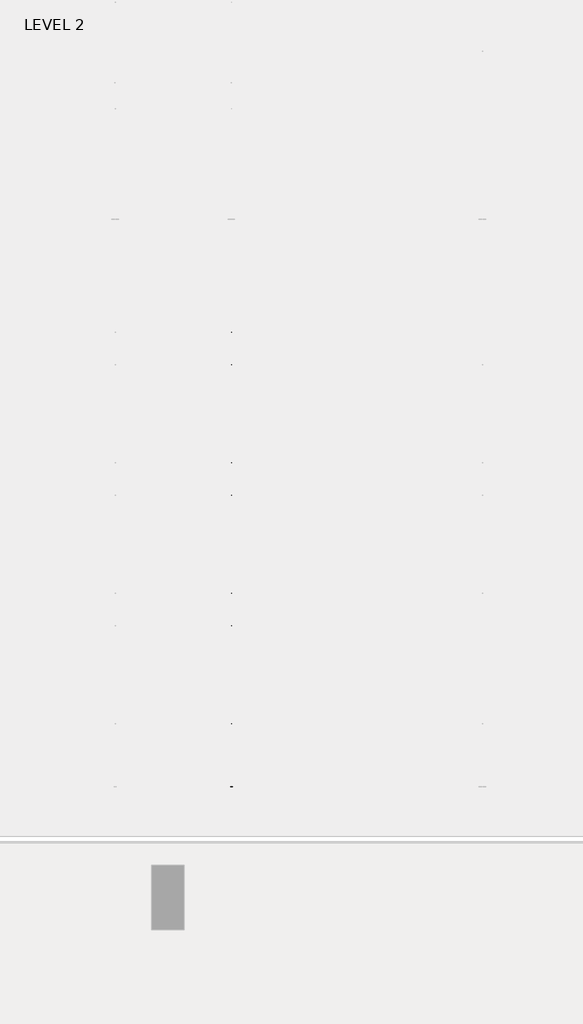
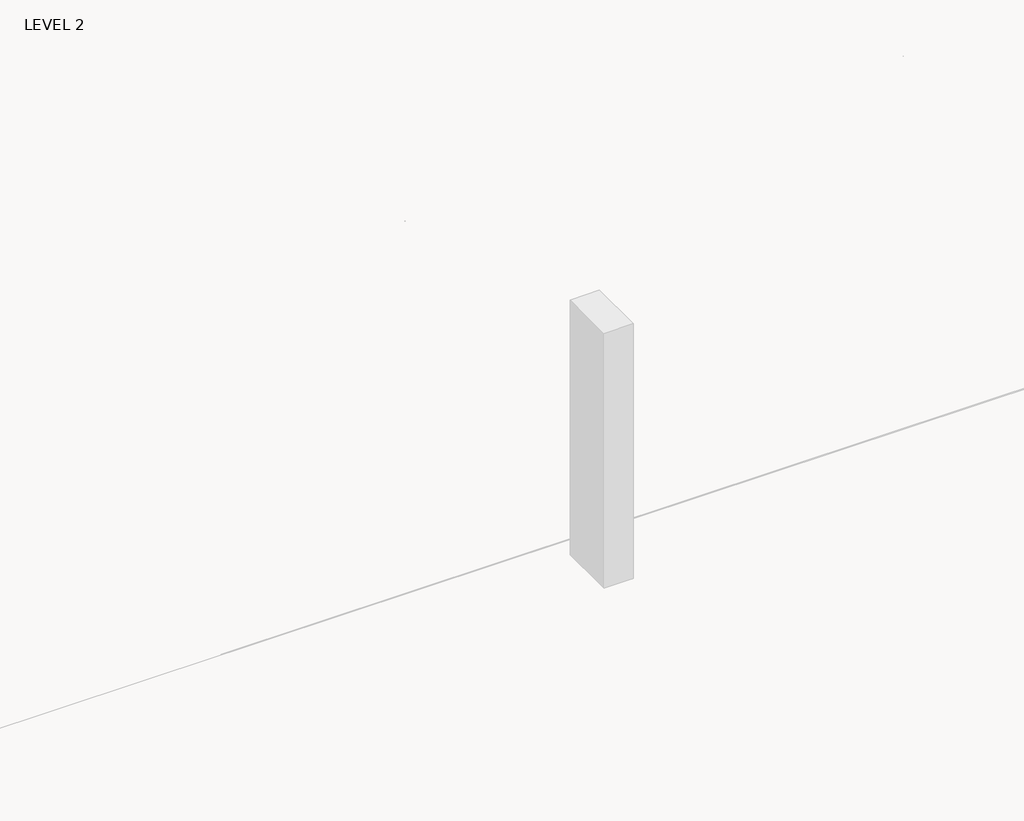
# One storey, part 19 of 67: 2 beams.
"""IFC4 building model written with IfcOpenShell, lengths in millimetres."""

import ifcopenshell
import ifcopenshell.guid

model = None  # the IFC model being written
_history = None  # IfcOwnerHistory: only IFC2X3 demands one
_inside = {}  # id of a spatial element -> (the spatial element, [elements in it])
_under = {}  # id of a project, library or spatial element -> (it, [spatial elements below it])
_declared = {}  # id of a project -> (the project, [libraries it declares])
_typed = {}  # id of a type object -> (the type object, [elements of that type])
_made_of = {}  # id of a material, layer set ... -> (it, [elements and type objects made of it])


def new_model(schema):
    """Start an empty IFC model of exactly this schema.

    Asked for "IFC4X3", IfcOpenShell would pick the latest addendum, in which some entities
    have other attributes; the version numbers below select the first issue.
    IFC2X3 requires an IfcOwnerHistory on every rooted entity: one is made here for all.
    """
    global model, _history
    if schema == "IFC4X3":
        model = ifcopenshell.file(schema_version=(4, 3, 0, 0))
    else:
        model = ifcopenshell.file(schema=schema)
    _inside.clear()
    _under.clear()
    _declared.clear()
    _typed.clear()
    _made_of.clear()
    _history = None
    if model.schema == "IFC2X3":
        org = make("IfcOrganization", Name="unknown")
        user = make(
            "IfcPersonAndOrganization",
            ThePerson=make("IfcPerson", FamilyName="unknown"),
            TheOrganization=org,
        )
        app = make(
            "IfcApplication",
            ApplicationDeveloper=org,
            Version="unknown",
            ApplicationFullName="unknown",
            ApplicationIdentifier="unknown",
        )
        _history = make(
            "IfcOwnerHistory",
            OwningUser=user,
            OwningApplication=app,
            ChangeAction="ADDED",
            CreationDate=0,
        )
    return model


def make(cls, **values):
    """One entity of the class cls with the attributes given. An attribute that is None is left unset."""
    return model.create_entity(
        cls, **{name: value for name, value in values.items() if value is not None}
    )


def rooted(cls, **values):
    """An entity with a GlobalId (a new one), such as an element, a storey or a relation."""
    return make(cls, GlobalId=ifcopenshell.guid.new(), OwnerHistory=_history, **values)


def si_unit(unit_type, name, prefix=None):
    """IfcSIUnit, for example si_unit("LENGTHUNIT", "METRE", prefix="MILLI")."""
    return make("IfcSIUnit", UnitType=unit_type, Prefix=prefix, Name=name)


def assignment(units):
    """IfcUnitAssignment: the units of a project."""
    return None if units is None else make("IfcUnitAssignment", Units=units)


def point(xyz):
    """IfcCartesianPoint."""
    return None if xyz is None else make("IfcCartesianPoint", Coordinates=xyz)


def direction(xyz):
    """IfcDirection."""
    return None if xyz is None else make("IfcDirection", DirectionRatios=xyz)


def frame(location, z_axis=None, x_axis=None):
    """IfcAxis2Placement3D, a coordinate frame: its origin and axes. An axis left out is left unset."""
    return make(
        "IfcAxis2Placement3D",
        Location=point(location),
        Axis=direction(z_axis),
        RefDirection=direction(x_axis),
    )


def frame_2d(location, x_axis=None):
    """IfcAxis2Placement2D, a coordinate frame in the plane: its origin and x axis."""
    return make(
        "IfcAxis2Placement2D", Location=point(location), RefDirection=direction(x_axis)
    )


def origin():
    """The frame at (0, 0, 0) with its axes left unset."""
    return frame((0.0, 0.0, 0.0))


def place(relative_to, where):
    """IfcLocalPlacement: puts the frame where relative to a parent placement (None: the world)."""
    return make(
        "IfcLocalPlacement", PlacementRelTo=relative_to, RelativePlacement=where
    )


def context(
    kind, dimensions, precision=None, world=None, true_north=None, identifier=None
):
    """IfcGeometricRepresentationContext, for example the 3D "Model" context."""
    return make(
        "IfcGeometricRepresentationContext",
        ContextIdentifier=identifier,
        ContextType=kind,
        CoordinateSpaceDimension=dimensions,
        Precision=precision,
        WorldCoordinateSystem=world,
        TrueNorth=true_north,
    )


def project(units=None, contexts=None):
    """IfcProject with its units and contexts."""
    return rooted(
        "IfcProject",
        Name="project",
        RepresentationContexts=contexts,
        UnitsInContext=assignment(units),
    )


def spatial(cls, under=None, at=None, **own):
    """A site, building, storey or space (cls), placed at a placement, below another one or the project."""
    s = rooted(cls, ObjectPlacement=at, **own)
    if under is not None:
        _under.setdefault(under.id(), (under, []))[1].append(s)
    return s


def polyline(points):
    """IfcPolyline through the points."""
    return make("IfcPolyline", Points=[point(p) for p in points])


def circle_curve(where, radius):
    """IfcCircle in the frame where."""
    return make("IfcCircle", Position=where, Radius=radius)


def trimmed(basis, trim1, trim2, sense, master):
    """IfcTrimmedCurve: the piece of a basis curve between two trims."""
    return make(
        "IfcTrimmedCurve",
        BasisCurve=basis,
        Trim1=trim1,
        Trim2=trim2,
        SenseAgreement=sense,
        MasterRepresentation=master,
    )


def segment(curve, same_sense, transition):
    """IfcCompositeCurveSegment."""
    return make(
        "IfcCompositeCurveSegment",
        Transition=transition,
        SameSense=same_sense,
        ParentCurve=curve,
    )


def composite_curve(segments, self_intersect=None):
    """IfcCompositeCurve: segments joined end to end."""
    return make("IfcCompositeCurve", Segments=segments, SelfIntersect=self_intersect)


def outline(outer, holes=None, kind="AREA"):
    """IfcArbitraryClosedProfileDef: a profile drawn as a closed curve; with holes, ...WithVoids."""
    if holes is None:
        return make("IfcArbitraryClosedProfileDef", ProfileType=kind, OuterCurve=outer)
    return make(
        "IfcArbitraryProfileDefWithVoids",
        ProfileType=kind,
        OuterCurve=outer,
        InnerCurves=holes,
    )


def extrude(swept, where, along, depth):
    """IfcExtrudedAreaSolid: the profile swept, set in the frame where, extruded along a direction by depth."""
    return make(
        "IfcExtrudedAreaSolid",
        SweptArea=swept,
        Position=where,
        ExtrudedDirection=direction(along),
        Depth=depth,
    )


def faces_of(points, faces, orient=None, outer=None):
    """IfcFace entities. A face is a list of loops; a loop is a list of indices into points, from 0.

    orient and outer hold one flag for each loop. By default every Orientation is true, the
    first loop of a face is its IfcFaceOuterBound and the others are IfcFaceBound.
    """
    made = []
    for i, loops in enumerate(faces):
        bounds = []
        for j, loop in enumerate(loops):
            is_outer = j == 0 if outer is None else outer[i][j]
            bounds.append(
                make(
                    "IfcFaceOuterBound" if is_outer else "IfcFaceBound",
                    Bound=make("IfcPolyLoop", Polygon=[points[k] for k in loop]),
                    Orientation=True if orient is None else orient[i][j],
                )
            )
        made.append(make("IfcFace", Bounds=bounds))
    return made


def faceted_brep(points, faces, orient=None, outer=None, voids=None):
    """IfcFacetedBrep: a solid bounded by flat faces; with voids (closed shells), ...WithVoids."""
    shared = [point(p) for p in points]
    hull = make("IfcClosedShell", CfsFaces=faces_of(shared, faces, orient, outer))
    if voids is None:
        return make("IfcFacetedBrep", Outer=hull)
    return make(
        "IfcFacetedBrepWithVoids",
        Outer=hull,
        Voids=[
            make(cls, CfsFaces=faces_of(shared, fs, o, b)) for cls, fs, o, b in voids
        ],
    )


def shape(context_of_items, identifier, shape_type, items):
    """IfcShapeRepresentation: the items that make up one representation, for example the "Body"."""
    return make(
        "IfcShapeRepresentation",
        ContextOfItems=context_of_items,
        RepresentationIdentifier=identifier,
        RepresentationType=shape_type,
        Items=items,
    )


def source(mapping_origin, context_of_items, identifier, shape_type, items):
    """IfcRepresentationMap: a shape defined once, which mapped items show again and again."""
    return make(
        "IfcRepresentationMap",
        MappingOrigin=mapping_origin,
        MappedRepresentation=shape(context_of_items, identifier, shape_type, items),
    )


def transform(
    local_origin,
    x_axis=None,
    y_axis=None,
    z_axis=None,
    scale=None,
    scale2=None,
    scale3=None,
    uniform=True,
):
    """IfcCartesianTransformationOperator3D, or its non-uniform kind. x_axis, y_axis, z_axis: its Axis1, 2, 3."""
    if uniform:
        return make(
            "IfcCartesianTransformationOperator3D",
            Axis1=direction(x_axis),
            Axis2=direction(y_axis),
            LocalOrigin=point(local_origin),
            Scale=scale,
            Axis3=direction(z_axis),
        )
    return make(
        "IfcCartesianTransformationOperator3DnonUniform",
        Axis1=direction(x_axis),
        Axis2=direction(y_axis),
        LocalOrigin=point(local_origin),
        Scale=scale,
        Axis3=direction(z_axis),
        Scale2=scale2,
        Scale3=scale3,
    )


def mapped(mapping_source, mapping_target):
    """IfcMappedItem: shows the shape of a source again, moved by a transform."""
    return make(
        "IfcMappedItem", MappingSource=mapping_source, MappingTarget=mapping_target
    )


def made_of(thing, what):
    """Note that an element or type object is made of a material, layer set ...; save() writes the relation."""
    if what is not None:
        _made_of.setdefault(what.id(), (what, []))[1].append(thing)
    return thing


def element(
    cls,
    number,
    at=None,
    inside=None,
    cuts=None,
    type_object=None,
    material=None,
    context=None,
    identifier="Body",
    shape_type=None,
    held_by="IfcProductDefinitionShape",
    body=None,
    shapes=None,
    **own,
):
    """One element of the class cls, such as IfcWall. Its Tag is "e" and its number.

    at: its placement. inside: the storey or other place that contains it. cuts: it is an
    opening in that element (IfcRelVoidsElement). A single representation is given by context,
    identifier, shape_type and body (its items); several are given by shapes. held_by: the class
    of the entity that holds the representations. save() writes the other relations.
    """
    e = rooted(cls, Tag="e%d" % number, ObjectPlacement=at, **own)
    if body is not None:
        shapes = [shape(context, identifier, shape_type, body)]
    if shapes is not None:
        e.Representation = make(held_by, Representations=shapes)
    if inside is not None:
        _inside.setdefault(inside.id(), (inside, []))[1].append(e)
    if cuts is not None:
        rooted(
            "IfcRelVoidsElement", RelatingBuildingElement=cuts, RelatedOpeningElement=e
        )
    if type_object is not None:
        _typed.setdefault(type_object.id(), (type_object, []))[1].append(e)
    return made_of(e, material)


def aggregate(whole, parts):
    """IfcRelAggregates: a whole, such as a stair, and the parts it consists of."""
    return rooted("IfcRelAggregates", RelatingObject=whole, RelatedObjects=parts)


def save(model, path):
    """Write the relations noted so far, then the file.

    IfcRelAggregates (storeys below a building ...), IfcRelContainedInSpatialStructure (elements
    in a storey), IfcRelDefinesByType, IfcRelAssociatesMaterial and IfcRelDeclares: one each for
    every whole, place, type object, material and project.
    """
    for whole, parts in _under.values():
        aggregate(whole, parts)
    for where, things in _inside.values():
        rooted(
            "IfcRelContainedInSpatialStructure",
            RelatedElements=things,
            RelatingStructure=where,
        )
    for kind, things in _typed.values():
        rooted("IfcRelDefinesByType", RelatedObjects=things, RelatingType=kind)
    for what, things in _made_of.values():
        rooted("IfcRelAssociatesMaterial", RelatedObjects=things, RelatingMaterial=what)
    for by, libraries in _declared.values():
        rooted("IfcRelDeclares", RelatingContext=by, RelatedDefinitions=libraries)
    model.write(path)


def w18x46_b0a6ef61(model_context):
    return source(origin(), model_context, "Body", "SweptSolid", [
        extrude(outline(composite_curve([segment(polyline([(76.962, -214.503), (76.962, -229.87), (-76.962, -229.87), (-76.962, -214.503), (-20.955, -214.503)]), True, "CONTINUOUS"), segment(trimmed(circle_curve(frame_2d((-20.955, -198.12)), 16.383), [point((-20.955, -214.503))], [point((-4.572, -198.12))], True, "CARTESIAN"), True, "CONTINUOUS"), segment(polyline([(-4.572, -198.12), (-4.572, 198.12)]), True, "CONTINUOUS"), segment(trimmed(circle_curve(frame_2d((-20.955, 198.12)), 16.383), [point((-4.572, 198.12))], [point((-20.955, 214.503))], True, "CARTESIAN"), True, "CONTINUOUS"), segment(polyline([(-20.955, 214.503), (-76.962, 214.503), (-76.962, 229.87), (76.962, 229.87), (76.962, 214.503), (20.955, 214.503)]), True, "CONTINUOUS"), segment(trimmed(circle_curve(frame_2d((20.955, 198.12)), 16.383), [point((20.955, 214.503))], [point((4.572, 198.12))], True, "CARTESIAN"), True, "CONTINUOUS"), segment(polyline([(4.572, 198.12), (4.572, -198.12)]), True, "CONTINUOUS"), segment(trimmed(circle_curve(frame_2d((20.955, -198.12)), 16.383), [point((4.572, -198.12))], [point((20.955, -214.503))], True, "CARTESIAN"), True, "CONTINUOUS"), segment(polyline([(20.955, -214.503), (76.962, -214.503)]), True, "CONTINUOUS")], self_intersect=False)), frame((-2970.1785913, 0.0, 0.0), z_axis=(1.0, 0.0, 0.0), x_axis=(0.0, 1.0, 0.0)), (0.0, 0.0, 1.0), 5913.9929508),
    ])


model = new_model("IFC4")

# Units and contexts
model_context = context("Model", 3, world=origin())
ifc_project = project(units=[si_unit("LENGTHUNIT", "METRE", prefix="MILLI")], contexts=[model_context])

# Site, building, storey
site = spatial("IfcSite", under=ifc_project)
building = spatial("IfcBuilding", under=site)
storey = spatial("IfcBuildingStorey", under=building, Name="LEVEL 2", Elevation=6908.8)

# Beams
placement = place(None, origin())
element("IfcBeam", 1, ObjectType="K-Series Bar Joist-Angle Web : 12K3", at=placement, inside=storey, context=model_context, shape_type="SolidModel", body=[
    extrude(outline(polyline([(0.0, -9.525), (0.0, 0.0), (573.7533355, 0.0), (573.7533355, -9.525), (0.0, -9.525)])), frame((17505.2414942, -8384.9703623, 6274.5702814), z_axis=(0.0, -0.47954343730979243, 0.8775181432501035), x_axis=(0.0, -0.8775181432501035, -0.47954343730979243)), (0.0, 0.0, 1.0), 9.525),
    extrude(outline(polyline([(0.0, -9.525), (0.0, 0.0), (573.7533355, 0.0), (573.7533355, -9.525), (0.0, -9.525)])), frame((17495.7164942, -14433.7556121, 6173.6227252), z_axis=(0.0, 0.44999492249664974, 0.893031113526978), x_axis=(0.0, 0.893031113526978, -0.44999492249664974)), (0.0, 0.0, 1.0), 9.525),
    extrude(outline(polyline([(4.7625, 4.7625001), (4.7625, -4.7625), (-4.7625, -4.7625), (-4.7625, 4.7625001), (4.7625, 4.7625001)])), frame((17500.4789942, -8890.7331495, 6003.6098148), z_axis=(0.0, 0.5446821447758766, 0.838642570564094), x_axis=(-1.0, 0.0, 0.0)), (0.0, 0.0, 1.0), 321.5434366),
    extrude(outline(polyline([(4.7625, 4.7625), (4.7625, -4.7625), (-4.7625, -4.7625), (-4.7625, 4.7625), (4.7625, 4.7625)])), frame((17500.4789942, -13919.2329312, 5919.6896981), z_axis=(0.0, -0.5723630656913158, 0.820000317702645), x_axis=(-1.0, 0.0, 0.0)), (0.0, 0.0, 1.0), 321.5434366),
    extrude(outline(polyline([(0.0, 0.0), (31.75, 0.0), (31.75, -6.35), (6.35, -6.35), (6.35, -31.7500001), (0.0, -31.7500001), (0.0, 0.0)])), frame((17505.2414942, -14020.7128256, 5911.6452263), z_axis=(0.0, 0.9998607694356157, 0.01668657375312592), x_axis=(1.0, 0.0, 0.0)), (0.0, 0.0, 1.0), 5232.4),
    extrude(outline(polyline([(-9.525, 0.0), (-9.525, -31.7500001), (-15.875, -31.7500001), (-15.875, -6.35), (-41.275, -6.35), (-41.275, 0.0), (-9.525, 0.0)])), frame((17505.2414942, -14020.7128256, 5911.6452263), z_axis=(0.0, 0.9998607694356157, 0.01668657375312592), x_axis=(1.0, 0.0, 0.0)), (0.0, 0.0, 1.0), 5232.4),
    extrude(outline(polyline([(-31.75, 0.0), (0.0, 0.0), (0.0, -6.35), (-25.4, -6.35), (-25.4, -31.7500001), (-31.75, -31.7500001), (-31.75, 0.0)])), frame((17536.9914942, -14532.6685667, 6144.4348505), z_axis=(0.0, 0.9998607694356157, 0.01668657375312592), x_axis=(1.0, 0.0, 0.0)), (0.0, 0.0, 1.0), 101.6),
    extrude(outline(polyline([(-41.275, 0.0), (-41.275, -31.7500001), (-47.625, -31.7500001), (-47.625, -6.35), (-73.025, -6.35), (-73.025, 0.0), (-41.275, 0.0)])), frame((17536.9914942, -14532.6685667, 6144.4348505), z_axis=(0.0, 0.9998607694356157, 0.01668657375312592), x_axis=(1.0, 0.0, 0.0)), (0.0, 0.0, 1.0), 101.6),
    extrude(outline(polyline([(0.0, 0.0), (31.75, 0.0), (31.75, -6.35), (6.35, -6.35), (6.35, -31.75), (0.0, -31.75), (0.0, 0.0)])), frame((17495.7164942, -8386.7243892, 6247.0038821), z_axis=(0.0, 0.9998607694356157, 0.01668657375312592), x_axis=(0.0, -0.01668657375312592, 0.9998607694356157)), (0.0, 0.0, 1.0), 101.6),
    extrude(outline(polyline([(0.0, 41.275), (6.35, 41.275), (6.35, 15.875), (31.75, 15.875), (31.75, 9.525), (0.0, 9.525), (0.0, 41.275)])), frame((17495.7164942, -8386.7243892, 6247.0038821), z_axis=(0.0, 0.9998607694356157, 0.01668657375312592), x_axis=(0.0, -0.01668657375312592, 0.9998607694356157)), (0.0, 0.0, 1.0), 101.6),
    extrude(outline(polyline([(0.0, 0.0), (31.75, 0.0), (31.75, -6.35), (6.35, -6.35), (6.35, -31.75), (0.0, -31.75), (0.0, 0.0)])), frame((17505.2414942, -14533.7281642, 6207.9260094), z_axis=(0.0, 0.9998607694356157, 0.01668657375312592), x_axis=(0.0, 0.01668657375312592, -0.9998607694356157)), (0.0, 0.0, 1.0), 6248.4),
    extrude(outline(polyline([(0.0, 9.525), (0.0, 41.275), (6.35, 41.275), (6.35, 15.875), (31.75, 15.875), (31.75, 9.525), (0.0, 9.525)])), frame((17505.2414942, -14533.7281642, 6207.9260094), z_axis=(0.0, 0.9998607694356157, 0.01668657375312592), x_axis=(0.0, 0.01668657375312592, -0.9998607694356157)), (0.0, 0.0, 1.0), 6248.4),
    faceted_brep([(17500.4789942, -8890.9980489, 6019.4826046), (17500.4789942, -8890.6801697, 6000.4352569), (17495.7164942, -8890.6801697, 6000.4352569), (17495.7164942, -8890.9980489, 6019.4826046), (17500.4789942, -8891.9429222, 6019.4668357), (17500.4789942, -9063.496197, 6296.0427071), (17500.4789942, -9081.5986714, 6295.7405968), (17500.4789942, -9081.2807922, 6276.6932491), (17500.4789942, -9073.986803, 6276.8149778), (17500.4789942, -8902.4335282, 6000.2391063), (17495.7164942, -8902.4335282, 6000.2391063), (17495.7164942, -8923.8776875, 6034.8110902), (17495.7164942, -8919.8305256, 6037.3214462), (17495.7164942, -9060.192296, 6263.6107955), (17495.7164942, -9064.2394579, 6261.1004396), (17495.7164942, -9073.986803, 6276.8149778), (17495.7164942, -9081.2807922, 6276.6932491), (17495.7164942, -9081.5986714, 6295.7405968), (17495.7164942, -9063.496197, 6296.0427071), (17495.7164942, -8891.9429222, 6019.4668357), (17483.0164942, -9064.2394579, 6261.1004396), (17483.0164942, -8923.8776875, 6034.8110902), (17483.0164942, -8919.8305256, 6037.3214462), (17483.0164942, -9060.192296, 6263.6107955)], [[[0, 1, 2, 3]], [[1, 0, 4, 5, 6, 7, 8, 9]], [[2, 1, 9, 10]], [[3, 2, 10, 11, 12, 13, 14, 15, 16, 17, 18, 19]], [[0, 3, 19, 4]], [[9, 8, 15, 14, 20, 21, 11, 10]], [[5, 4, 19, 18]], [[7, 6, 17, 16]], [[8, 7, 16, 15]], [[6, 5, 18, 17]], [[21, 22, 12, 11]], [[20, 14, 13, 23]], [[22, 21, 20, 23]], [[12, 22, 23, 13]]]),
    extrude(outline(polyline([(-9249.8587255, 5994.4409629), (-9250.1766047, 6013.4883105), (-9249.2317315, 6013.5040794), (-9087.002914, 6295.6504059), (-9068.9004396, 6295.9525163), (-9068.5825604, 6276.9051686), (-9075.8765496, 6276.78344), (-9238.105367, 5994.6371134), (-9249.8587255, 5994.4409629)])), frame((17500.4789942, 0.0, 0.0), z_axis=(1.0, 0.0, 0.0), x_axis=(0.0, 1.0, 0.0)), (0.0, 0.0, 1.0), 4.7625),
    extrude(outline(polyline([(-4.7625, 4.7625001), (-4.7625, 0.0), (-17.4625, 0.0), (-17.4625, 4.7625001), (-4.7625, 4.7625001)])), frame((17500.4789942, -9217.8267648, 6029.9054043), z_axis=(0.0, 0.4984588389961533, 0.8669133669673152), x_axis=(-1.0, 0.0, 0.0)), (0.0, 0.0, 1.0), 266.2861172),
    faceted_brep([(17500.4789942, -13560.3192747, 5941.5567819), (17500.4789942, -13560.0013955, 5922.5094342), (17495.7164942, -13560.0013955, 5922.5094342), (17495.7164942, -13560.3192747, 5941.5567819), (17500.4789942, -13561.264148, 5941.541013), (17500.4789942, -13732.8174229, 6218.1168844), (17500.4789942, -13750.9198972, 6217.8147741), (17500.4789942, -13750.602018, 6198.7674264), (17500.4789942, -13743.3080288, 6198.8891551), (17500.4789942, -13571.754754, 5922.3132836), (17495.7164942, -13571.754754, 5922.3132836), (17495.7164942, -13593.1989133, 5956.8852676), (17495.7164942, -13589.1517514, 5959.3956235), (17495.7164942, -13729.5135218, 6185.6849729), (17495.7164942, -13733.5606837, 6183.1746169), (17495.7164942, -13743.3080288, 6198.8891551), (17495.7164942, -13750.602018, 6198.7674264), (17495.7164942, -13750.9198972, 6217.8147741), (17495.7164942, -13732.8174229, 6218.1168844), (17495.7164942, -13561.264148, 5941.541013), (17483.0164942, -13733.5606837, 6183.1746169), (17483.0164942, -13593.1989133, 5956.8852676), (17483.0164942, -13589.1517514, 5959.3956235), (17483.0164942, -13729.5135218, 6185.6849729)], [[[0, 1, 2, 3]], [[1, 0, 4, 5, 6, 7, 8, 9]], [[2, 1, 9, 10]], [[3, 2, 10, 11, 12, 13, 14, 15, 16, 17, 18, 19]], [[0, 3, 19, 4]], [[9, 8, 15, 14, 20, 21, 11, 10]], [[5, 4, 19, 18]], [[7, 6, 17, 16]], [[8, 7, 16, 15]], [[6, 5, 18, 17]], [[21, 22, 12, 11]], [[20, 14, 13, 23]], [[22, 21, 20, 23]], [[12, 22, 23, 13]]]),
    extrude(outline(polyline([(-13919.1799513, 5916.5151402), (-13919.4978306, 5935.5624878), (-13918.5529573, 5935.5782567), (-13756.3241398, 6217.7245833), (-13738.2216655, 6218.0266936), (-13737.9037862, 6198.9793459), (-13745.1977754, 6198.8576173), (-13907.4265928, 5916.7112908), (-13919.1799513, 5916.5151402)])), frame((17500.4789942, 0.0, 0.0), z_axis=(1.0, 0.0, 0.0), x_axis=(0.0, 1.0, 0.0)), (0.0, 0.0, 1.0), 4.7625),
    extrude(outline(polyline([(-4.7625, 4.7625), (-4.7625, 0.0), (-17.4625, 0.0), (-17.4625, 4.7625), (-4.7625, 4.7625)])), frame((17500.4789942, -13887.1479907, 5951.9795816), z_axis=(0.0, 0.4984588389961533, 0.8669133669673152), x_axis=(-1.0, 0.0, 0.0)), (0.0, 0.0, 1.0), 266.2861172),
    faceted_brep([(17500.4789942, -9250.1766047, 6013.4883105), (17500.4789942, -9249.8587255, 5994.4409629), (17495.7164942, -9249.8587255, 5994.4409629), (17495.7164942, -9250.1766047, 6013.4883105), (17500.4789942, -9251.121478, 6013.4725416), (17500.4789942, -9422.6747529, 6290.0484131), (17500.4789942, -9440.7772272, 6289.7463027), (17500.4789942, -9440.459348, 6270.6989551), (17500.4789942, -9433.1653588, 6270.8206837), (17500.4789942, -9261.612084, 5994.2448123), (17495.7164942, -9261.612084, 5994.2448123), (17495.7164942, -9283.0562434, 6028.8167962), (17495.7164942, -9279.0090815, 6031.3271521), (17495.7164942, -9419.3708518, 6257.6165015), (17495.7164942, -9423.4180137, 6255.1061455), (17495.7164942, -9433.1653588, 6270.8206837), (17495.7164942, -9440.459348, 6270.6989551), (17495.7164942, -9440.7772272, 6289.7463027), (17495.7164942, -9422.6747529, 6290.0484131), (17495.7164942, -9251.121478, 6013.4725416), (17483.0164942, -9423.4180137, 6255.1061455), (17483.0164942, -9283.0562434, 6028.8167962), (17483.0164942, -9279.0090815, 6031.3271521), (17483.0164942, -9419.3708518, 6257.6165015)], [[[0, 1, 2, 3]], [[1, 0, 4, 5, 6, 7, 8, 9]], [[2, 1, 9, 10]], [[3, 2, 10, 11, 12, 13, 14, 15, 16, 17, 18, 19]], [[0, 3, 19, 4]], [[9, 8, 15, 14, 20, 21, 11, 10]], [[5, 4, 19, 18]], [[7, 6, 17, 16]], [[8, 7, 16, 15]], [[6, 5, 18, 17]], [[21, 22, 12, 11]], [[20, 14, 13, 23]], [[22, 21, 20, 23]], [[12, 22, 23, 13]]]),
    extrude(outline(polyline([(-9609.0372813, 5988.4466688), (-9609.3551606, 6007.4940165), (-9608.4102873, 6007.5097854), (-9446.1814699, 6289.6561119), (-9428.0789955, 6289.9582222), (-9427.7611162, 6270.9108746), (-9435.0551054, 6270.7891459), (-9597.2839229, 5988.6428194), (-9609.0372813, 5988.4466688)])), frame((17500.4789942, 0.0, 0.0), z_axis=(1.0, 0.0, 0.0), x_axis=(0.0, 1.0, 0.0)), (0.0, 0.0, 1.0), 4.7625),
    extrude(outline(polyline([(-4.7625, 4.7625), (-4.7625, 0.0), (-17.4625, 0.0), (-17.4625, 4.7625), (-4.7625, 4.7625)])), frame((17500.4789942, -9577.0053207, 6023.9111102), z_axis=(0.0, 0.4984588389961533, 0.8669133669673152), x_axis=(-1.0, 0.0, 0.0)), (0.0, 0.0, 1.0), 266.2861172),
    faceted_brep([(17500.4789942, -9609.3551606, 6007.4940165), (17500.4789942, -9609.0372813, 5988.4466688), (17495.7164942, -9609.0372813, 5988.4466688), (17495.7164942, -9609.3551606, 6007.4940165), (17500.4789942, -9610.3000339, 6007.4782476), (17500.4789942, -9781.8533087, 6284.054119), (17500.4789942, -9799.9557831, 6283.7520087), (17500.4789942, -9799.6379039, 6264.704661), (17500.4789942, -9792.3439147, 6264.8263896), (17500.4789942, -9620.7906398, 5988.2505182), (17495.7164942, -9620.7906398, 5988.2505182), (17495.7164942, -9642.2347992, 6022.8225021), (17495.7164942, -9638.1876373, 6025.3328581), (17495.7164942, -9778.5494076, 6251.6222074), (17495.7164942, -9782.5965695, 6249.1118515), (17495.7164942, -9792.3439147, 6264.8263896), (17495.7164942, -9799.6379039, 6264.704661), (17495.7164942, -9799.9557831, 6283.7520087), (17495.7164942, -9781.8533087, 6284.054119), (17495.7164942, -9610.3000339, 6007.4782476), (17483.0164942, -9782.5965695, 6249.1118515), (17483.0164942, -9642.2347992, 6022.8225021), (17483.0164942, -9638.1876373, 6025.3328581), (17483.0164942, -9778.5494076, 6251.6222074)], [[[0, 1, 2, 3]], [[1, 0, 4, 5, 6, 7, 8, 9]], [[2, 1, 9, 10]], [[3, 2, 10, 11, 12, 13, 14, 15, 16, 17, 18, 19]], [[0, 3, 19, 4]], [[9, 8, 15, 14, 20, 21, 11, 10]], [[5, 4, 19, 18]], [[7, 6, 17, 16]], [[8, 7, 16, 15]], [[6, 5, 18, 17]], [[21, 22, 12, 11]], [[20, 14, 13, 23]], [[22, 21, 20, 23]], [[12, 22, 23, 13]]]),
    extrude(outline(polyline([(-9968.2158372, 5982.4523747), (-9968.5337164, 6001.4997224), (-9967.5888431, 6001.5154913), (-9805.3600257, 6283.6618178), (-9787.2575513, 6283.9639282), (-9786.9396721, 6264.9165805), (-9794.2336612, 6264.7948519), (-9956.4624787, 5982.6485253), (-9968.2158372, 5982.4523747)])), frame((17500.4789942, 0.0, 0.0), z_axis=(1.0, 0.0, 0.0), x_axis=(0.0, 1.0, 0.0)), (0.0, 0.0, 1.0), 4.7625),
    extrude(outline(polyline([(-4.7625, 4.7625), (-4.7625, 0.0), (-17.4625, 0.0), (-17.4625, 4.7625), (-4.7625, 4.7625)])), frame((17500.4789942, -9936.1838765, 6017.9168162), z_axis=(0.0, 0.4984588389961533, 0.8669133669673152), x_axis=(-1.0, 0.0, 0.0)), (0.0, 0.0, 1.0), 266.2861172),
    faceted_brep([(17500.4789942, -9968.5337164, 6001.4997224), (17500.4789942, -9968.2158372, 5982.4523747), (17495.7164942, -9968.2158372, 5982.4523747), (17495.7164942, -9968.5337164, 6001.4997224), (17500.4789942, -9969.4785897, 6001.4839535), (17500.4789942, -10141.0318645, 6278.059825), (17500.4789942, -10159.1343389, 6277.7577146), (17500.4789942, -10158.8164597, 6258.710367), (17500.4789942, -10151.5224705, 6258.8320956), (17500.4789942, -9979.9691957, 5982.2562242), (17495.7164942, -9979.9691957, 5982.2562242), (17495.7164942, -10001.413355, 6016.8282081), (17495.7164942, -9997.3661931, 6019.338564), (17495.7164942, -10137.7279635, 6245.6279134), (17495.7164942, -10141.7751254, 6243.1175574), (17495.7164942, -10151.5224705, 6258.8320956), (17495.7164942, -10158.8164597, 6258.710367), (17495.7164942, -10159.1343389, 6277.7577146), (17495.7164942, -10141.0318645, 6278.059825), (17495.7164942, -9969.4785897, 6001.4839535), (17483.0164942, -10141.7751254, 6243.1175574), (17483.0164942, -10001.413355, 6016.8282081), (17483.0164942, -9997.3661931, 6019.338564), (17483.0164942, -10137.7279635, 6245.6279134)], [[[0, 1, 2, 3]], [[1, 0, 4, 5, 6, 7, 8, 9]], [[2, 1, 9, 10]], [[3, 2, 10, 11, 12, 13, 14, 15, 16, 17, 18, 19]], [[0, 3, 19, 4]], [[9, 8, 15, 14, 20, 21, 11, 10]], [[5, 4, 19, 18]], [[7, 6, 17, 16]], [[8, 7, 16, 15]], [[6, 5, 18, 17]], [[21, 22, 12, 11]], [[20, 14, 13, 23]], [[22, 21, 20, 23]], [[12, 22, 23, 13]]]),
    extrude(outline(polyline([(-10327.394393, 5976.4580807), (-10327.7122722, 5995.5054284), (-10326.767399, 5995.5211972), (-10164.5385815, 6277.6675238), (-10146.4361071, 6277.9696341), (-10146.1182279, 6258.9222864), (-10153.4122171, 6258.8005578), (-10315.6410345, 5976.6542313), (-10327.394393, 5976.4580807)])), frame((17500.4789942, 0.0, 0.0), z_axis=(1.0, 0.0, 0.0), x_axis=(0.0, 1.0, 0.0)), (0.0, 0.0, 1.0), 4.7625),
    extrude(outline(polyline([(-4.7625, 4.7625), (-4.7625, 0.0), (-17.4625, 0.0), (-17.4625, 4.7625), (-4.7625, 4.7625)])), frame((17500.4789942, -10295.3624323, 6011.9225221), z_axis=(0.0, 0.4984588389961533, 0.8669133669673152), x_axis=(-1.0, 0.0, 0.0)), (0.0, 0.0, 1.0), 266.2861172),
    faceted_brep([(17500.4789942, -10327.7122722, 5995.5054284), (17500.4789942, -10327.394393, 5976.4580807), (17495.7164942, -10327.394393, 5976.4580807), (17495.7164942, -10327.7122722, 5995.5054284), (17500.4789942, -10328.6571455, 5995.4896595), (17500.4789942, -10500.2104204, 6272.0655309), (17500.4789942, -10518.3128947, 6271.7634206), (17500.4789942, -10517.9950155, 6252.7160729), (17500.4789942, -10510.7010263, 6252.8378015), (17500.4789942, -10339.1477515, 5976.2619301), (17495.7164942, -10339.1477515, 5976.2619301), (17495.7164942, -10360.5919108, 6010.833914), (17495.7164942, -10356.544749, 6013.34427), (17495.7164942, -10496.9065193, 6239.6336193), (17495.7164942, -10500.9536812, 6237.1232634), (17495.7164942, -10510.7010263, 6252.8378015), (17495.7164942, -10517.9950155, 6252.7160729), (17495.7164942, -10518.3128947, 6271.7634206), (17495.7164942, -10500.2104204, 6272.0655309), (17495.7164942, -10328.6571455, 5995.4896595), (17483.0164942, -10500.9536812, 6237.1232634), (17483.0164942, -10360.5919108, 6010.833914), (17483.0164942, -10356.544749, 6013.34427), (17483.0164942, -10496.9065193, 6239.6336193)], [[[0, 1, 2, 3]], [[1, 0, 4, 5, 6, 7, 8, 9]], [[2, 1, 9, 10]], [[3, 2, 10, 11, 12, 13, 14, 15, 16, 17, 18, 19]], [[0, 3, 19, 4]], [[9, 8, 15, 14, 20, 21, 11, 10]], [[5, 4, 19, 18]], [[7, 6, 17, 16]], [[8, 7, 16, 15]], [[6, 5, 18, 17]], [[21, 22, 12, 11]], [[20, 14, 13, 23]], [[22, 21, 20, 23]], [[12, 22, 23, 13]]]),
    extrude(outline(polyline([(-10686.5729488, 5970.4637866), (-10686.8908281, 5989.5111343), (-10685.9459548, 5989.5269032), (-10523.7171373, 6271.6732297), (-10505.614663, 6271.9753401), (-10505.2967837, 6252.9279924), (-10512.5907729, 6252.8062638), (-10674.8195903, 5970.6599372), (-10686.5729488, 5970.4637866)])), frame((17500.4789942, 0.0, 0.0), z_axis=(1.0, 0.0, 0.0), x_axis=(0.0, 1.0, 0.0)), (0.0, 0.0, 1.0), 4.7625),
    extrude(outline(polyline([(-4.7625, 4.7625), (-4.7625, 0.0), (-17.4625, 0.0), (-17.4625, 4.7625), (-4.7625, 4.7625)])), frame((17500.4789942, -10654.5409882, 6005.9282281), z_axis=(0.0, 0.4984588389961533, 0.8669133669673152), x_axis=(-1.0, 0.0, 0.0)), (0.0, 0.0, 1.0), 266.2861172),
    faceted_brep([(17500.4789942, -10686.8908281, 5989.5111343), (17500.4789942, -10686.5729488, 5970.4637866), (17495.7164942, -10686.5729488, 5970.4637866), (17495.7164942, -10686.8908281, 5989.5111343), (17500.4789942, -10687.8357014, 5989.4953654), (17500.4789942, -10859.3889762, 6266.0712369), (17500.4789942, -10877.4914506, 6265.7691265), (17500.4789942, -10877.1735713, 6246.7217789), (17500.4789942, -10869.8795822, 6246.8435075), (17500.4789942, -10698.3263073, 5970.2676361), (17495.7164942, -10698.3263073, 5970.2676361), (17495.7164942, -10719.7704667, 6004.83962), (17495.7164942, -10715.7233048, 6007.3499759), (17495.7164942, -10856.0850751, 6233.6393253), (17495.7164942, -10860.132237, 6231.1289693), (17495.7164942, -10869.8795822, 6246.8435075), (17495.7164942, -10877.1735713, 6246.7217789), (17495.7164942, -10877.4914506, 6265.7691265), (17495.7164942, -10859.3889762, 6266.0712369), (17495.7164942, -10687.8357014, 5989.4953654), (17483.0164942, -10860.132237, 6231.1289693), (17483.0164942, -10719.7704667, 6004.83962), (17483.0164942, -10715.7233048, 6007.3499759), (17483.0164942, -10856.0850751, 6233.6393253)], [[[0, 1, 2, 3]], [[1, 0, 4, 5, 6, 7, 8, 9]], [[2, 1, 9, 10]], [[3, 2, 10, 11, 12, 13, 14, 15, 16, 17, 18, 19]], [[0, 3, 19, 4]], [[9, 8, 15, 14, 20, 21, 11, 10]], [[5, 4, 19, 18]], [[7, 6, 17, 16]], [[8, 7, 16, 15]], [[6, 5, 18, 17]], [[21, 22, 12, 11]], [[20, 14, 13, 23]], [[22, 21, 20, 23]], [[12, 22, 23, 13]]]),
    extrude(outline(polyline([(-11045.7515047, 5964.4694926), (-11046.0693839, 5983.5168403), (-11045.1245106, 5983.5326091), (-10882.8956932, 6265.6789357), (-10864.7932188, 6265.981046), (-10864.4753396, 6246.9336983), (-10871.7693287, 6246.8119697), (-11033.9981462, 5964.6656432), (-11045.7515047, 5964.4694926)])), frame((17500.4789942, 0.0, 0.0), z_axis=(1.0, 0.0, 0.0), x_axis=(0.0, 1.0, 0.0)), (0.0, 0.0, 1.0), 4.7625),
    extrude(outline(polyline([(-4.7625, 4.7625), (-4.7625, 0.0), (-17.4625, 0.0), (-17.4625, 4.7625), (-4.7625, 4.7625)])), frame((17500.4789942, -11013.719544, 5999.933934), z_axis=(0.0, 0.4984588389961533, 0.8669133669673152), x_axis=(-1.0, 0.0, 0.0)), (0.0, 0.0, 1.0), 266.2861172),
    faceted_brep([(17500.4789942, -11046.0693839, 5983.5168403), (17500.4789942, -11045.7515047, 5964.4694926), (17495.7164942, -11045.7515047, 5964.4694926), (17495.7164942, -11046.0693839, 5983.5168403), (17500.4789942, -11047.0142572, 5983.5010714), (17500.4789942, -11218.567532, 6260.0769428), (17500.4789942, -11236.6700064, 6259.7748325), (17500.4789942, -11236.3521272, 6240.7274848), (17500.4789942, -11229.058138, 6240.8492134), (17500.4789942, -11057.5048632, 5964.273342), (17495.7164942, -11057.5048632, 5964.273342), (17495.7164942, -11078.9490225, 5998.8453259), (17495.7164942, -11074.9018606, 6001.3556819), (17495.7164942, -11215.263631, 6227.6450312), (17495.7164942, -11219.3107928, 6225.1346753), (17495.7164942, -11229.058138, 6240.8492134), (17495.7164942, -11236.3521272, 6240.7274848), (17495.7164942, -11236.6700064, 6259.7748325), (17495.7164942, -11218.567532, 6260.0769428), (17495.7164942, -11047.0142572, 5983.5010714), (17483.0164942, -11219.3107928, 6225.1346753), (17483.0164942, -11078.9490225, 5998.8453259), (17483.0164942, -11074.9018606, 6001.3556819), (17483.0164942, -11215.263631, 6227.6450312)], [[[0, 1, 2, 3]], [[1, 0, 4, 5, 6, 7, 8, 9]], [[2, 1, 9, 10]], [[3, 2, 10, 11, 12, 13, 14, 15, 16, 17, 18, 19]], [[0, 3, 19, 4]], [[9, 8, 15, 14, 20, 21, 11, 10]], [[5, 4, 19, 18]], [[7, 6, 17, 16]], [[8, 7, 16, 15]], [[6, 5, 18, 17]], [[21, 22, 12, 11]], [[20, 14, 13, 23]], [[22, 21, 20, 23]], [[12, 22, 23, 13]]]),
    extrude(outline(polyline([(-11404.9300605, 5958.4751985), (-11405.2479397, 5977.5225462), (-11404.3030664, 5977.5383151), (-11242.074249, 6259.6846416), (-11223.9717746, 6259.986752), (-11223.6538954, 6240.9394043), (-11230.9478846, 6240.8176757), (-11393.176702, 5958.6713491), (-11404.9300605, 5958.4751985)])), frame((17500.4789942, 0.0, 0.0), z_axis=(1.0, 0.0, 0.0), x_axis=(0.0, 1.0, 0.0)), (0.0, 0.0, 1.0), 4.7625),
    extrude(outline(polyline([(-4.7625, 4.7625), (-4.7625, 0.0), (-17.4625, 0.0), (-17.4625, 4.7625), (-4.7625, 4.7625)])), frame((17500.4789942, -11372.8980998, 5993.93964), z_axis=(0.0, 0.4984588389961533, 0.8669133669673152), x_axis=(-1.0, 0.0, 0.0)), (0.0, 0.0, 1.0), 266.2861172),
    faceted_brep([(17500.4789942, -11405.2479397, 5977.5225462), (17500.4789942, -11404.9300605, 5958.4751985), (17495.7164942, -11404.9300605, 5958.4751985), (17495.7164942, -11405.2479397, 5977.5225462), (17500.4789942, -11406.192813, 5977.5067773), (17500.4789942, -11577.7460879, 6254.0826487), (17500.4789942, -11595.8485622, 6253.7805384), (17500.4789942, -11595.530683, 6234.7331908), (17500.4789942, -11588.2366938, 6234.8549194), (17500.4789942, -11416.683419, 5958.279048), (17495.7164942, -11416.683419, 5958.279048), (17495.7164942, -11438.1275783, 5992.8510319), (17495.7164942, -11434.0804165, 5995.3613878), (17495.7164942, -11574.4421868, 6221.6507372), (17495.7164942, -11578.4893487, 6219.1403812), (17495.7164942, -11588.2366938, 6234.8549194), (17495.7164942, -11595.530683, 6234.7331908), (17495.7164942, -11595.8485622, 6253.7805384), (17495.7164942, -11577.7460879, 6254.0826487), (17495.7164942, -11406.192813, 5977.5067773), (17483.0164942, -11578.4893487, 6219.1403812), (17483.0164942, -11438.1275783, 5992.8510319), (17483.0164942, -11434.0804165, 5995.3613878), (17483.0164942, -11574.4421868, 6221.6507372)], [[[0, 1, 2, 3]], [[1, 0, 4, 5, 6, 7, 8, 9]], [[2, 1, 9, 10]], [[3, 2, 10, 11, 12, 13, 14, 15, 16, 17, 18, 19]], [[0, 3, 19, 4]], [[9, 8, 15, 14, 20, 21, 11, 10]], [[5, 4, 19, 18]], [[7, 6, 17, 16]], [[8, 7, 16, 15]], [[6, 5, 18, 17]], [[21, 22, 12, 11]], [[20, 14, 13, 23]], [[22, 21, 20, 23]], [[12, 22, 23, 13]]]),
    extrude(outline(polyline([(-11764.1086163, 5952.4809045), (-11764.4264956, 5971.5282522), (-11763.4816223, 5971.544021), (-11601.2528048, 6253.6903476), (-11583.1503305, 6253.9924579), (-11582.8324512, 6234.9451102), (-11590.1264404, 6234.8233816), (-11752.3552578, 5952.6770551), (-11764.1086163, 5952.4809045)])), frame((17500.4789942, 0.0, 0.0), z_axis=(1.0, 0.0, 0.0), x_axis=(0.0, 1.0, 0.0)), (0.0, 0.0, 1.0), 4.7625),
    extrude(outline(polyline([(-4.7625, 4.7625), (-4.7625, 0.0), (-17.4625, 0.0), (-17.4625, 4.7625), (-4.7625, 4.7625)])), frame((17500.4789942, -11732.0766557, 5987.9453459), z_axis=(0.0, 0.4984588389961533, 0.8669133669673152), x_axis=(-1.0, 0.0, 0.0)), (0.0, 0.0, 1.0), 266.2861172),
    faceted_brep([(17500.4789942, -11764.4264956, 5971.5282522), (17500.4789942, -11764.1086163, 5952.4809045), (17495.7164942, -11764.1086163, 5952.4809045), (17495.7164942, -11764.4264956, 5971.5282522), (17500.4789942, -11765.3713688, 5971.5124833), (17500.4789942, -11936.9246437, 6248.0883547), (17500.4789942, -11955.0271181, 6247.7862444), (17500.4789942, -11954.7092388, 6228.7388967), (17500.4789942, -11947.4152497, 6228.8606253), (17500.4789942, -11775.8619748, 5952.2847539), (17495.7164942, -11775.8619748, 5952.2847539), (17495.7164942, -11797.3061342, 5986.8567378), (17495.7164942, -11793.2589723, 5989.3670938), (17495.7164942, -11933.6207426, 6215.6564431), (17495.7164942, -11937.6679045, 6213.1460872), (17495.7164942, -11947.4152497, 6228.8606253), (17495.7164942, -11954.7092388, 6228.7388967), (17495.7164942, -11955.0271181, 6247.7862444), (17495.7164942, -11936.9246437, 6248.0883547), (17495.7164942, -11765.3713688, 5971.5124833), (17483.0164942, -11937.6679045, 6213.1460872), (17483.0164942, -11797.3061342, 5986.8567378), (17483.0164942, -11793.2589723, 5989.3670938), (17483.0164942, -11933.6207426, 6215.6564431)], [[[0, 1, 2, 3]], [[1, 0, 4, 5, 6, 7, 8, 9]], [[2, 1, 9, 10]], [[3, 2, 10, 11, 12, 13, 14, 15, 16, 17, 18, 19]], [[0, 3, 19, 4]], [[9, 8, 15, 14, 20, 21, 11, 10]], [[5, 4, 19, 18]], [[7, 6, 17, 16]], [[8, 7, 16, 15]], [[6, 5, 18, 17]], [[21, 22, 12, 11]], [[20, 14, 13, 23]], [[22, 21, 20, 23]], [[12, 22, 23, 13]]]),
    extrude(outline(polyline([(-12123.2871722, 5946.4866104), (-12123.6050514, 5965.5339581), (-12122.6601781, 5965.549727), (-11960.4313607, 6247.6960535), (-11942.3288863, 6247.9981638), (-11942.0110071, 6228.9508162), (-11949.3049962, 6228.8290876), (-12111.5338137, 5946.682761), (-12123.2871722, 5946.4866104)])), frame((17500.4789942, 0.0, 0.0), z_axis=(1.0, 0.0, 0.0), x_axis=(0.0, 1.0, 0.0)), (0.0, 0.0, 1.0), 4.7625),
    extrude(outline(polyline([(-4.7625, 4.7625), (-4.7625, 0.0), (-17.4625, 0.0), (-17.4625, 4.7625), (-4.7625, 4.7625)])), frame((17500.4789942, -12091.2552115, 5981.9510518), z_axis=(0.0, 0.4984588389961533, 0.8669133669673152), x_axis=(-1.0, 0.0, 0.0)), (0.0, 0.0, 1.0), 266.2861172),
    faceted_brep([(17500.4789942, -12123.6050514, 5965.5339581), (17500.4789942, -12123.2871722, 5946.4866104), (17495.7164942, -12123.2871722, 5946.4866104), (17495.7164942, -12123.6050514, 5965.5339581), (17500.4789942, -12124.5499247, 5965.5181892), (17500.4789942, -12296.1031995, 6242.0940606), (17500.4789942, -12314.2056739, 6241.7919503), (17500.4789942, -12313.8877947, 6222.7446027), (17500.4789942, -12306.5938055, 6222.8663313), (17500.4789942, -12135.0405307, 5946.2904598), (17495.7164942, -12135.0405307, 5946.2904598), (17495.7164942, -12156.48469, 5980.8624438), (17495.7164942, -12152.4375281, 5983.3727997), (17495.7164942, -12292.7992984, 6209.6621491), (17495.7164942, -12296.8464603, 6207.1517931), (17495.7164942, -12306.5938055, 6222.8663313), (17495.7164942, -12313.8877947, 6222.7446027), (17495.7164942, -12314.2056739, 6241.7919503), (17495.7164942, -12296.1031995, 6242.0940606), (17495.7164942, -12124.5499247, 5965.5181892), (17483.0164942, -12296.8464603, 6207.1517931), (17483.0164942, -12156.48469, 5980.8624438), (17483.0164942, -12152.4375281, 5983.3727997), (17483.0164942, -12292.7992984, 6209.6621491)], [[[0, 1, 2, 3]], [[1, 0, 4, 5, 6, 7, 8, 9]], [[2, 1, 9, 10]], [[3, 2, 10, 11, 12, 13, 14, 15, 16, 17, 18, 19]], [[0, 3, 19, 4]], [[9, 8, 15, 14, 20, 21, 11, 10]], [[5, 4, 19, 18]], [[7, 6, 17, 16]], [[8, 7, 16, 15]], [[6, 5, 18, 17]], [[21, 22, 12, 11]], [[20, 14, 13, 23]], [[22, 21, 20, 23]], [[12, 22, 23, 13]]]),
    extrude(outline(polyline([(-12482.465728, 5940.4923164), (-12482.7836072, 5959.539664), (-12481.8387339, 5959.5554329), (-12319.6099165, 6241.7017595), (-12301.5074421, 6242.0038698), (-12301.1895629, 6222.9565221), (-12308.4835521, 6222.8347935), (-12470.7123695, 5940.688467), (-12482.465728, 5940.4923164)])), frame((17500.4789942, 0.0, 0.0), z_axis=(1.0, 0.0, 0.0), x_axis=(0.0, 1.0, 0.0)), (0.0, 0.0, 1.0), 4.7625),
    extrude(outline(polyline([(-4.7625, 4.7625), (-4.7625, 0.0), (-17.4625, 0.0), (-17.4625, 4.7625), (-4.7625, 4.7625)])), frame((17500.4789942, -12450.4337673, 5975.9567578), z_axis=(0.0, 0.4984588389961533, 0.8669133669673152), x_axis=(-1.0, 0.0, 0.0)), (0.0, 0.0, 1.0), 266.2861172),
    faceted_brep([(17500.4789942, -12482.7836072, 5959.539664), (17500.4789942, -12482.465728, 5940.4923164), (17495.7164942, -12482.465728, 5940.4923164), (17495.7164942, -12482.7836072, 5959.539664), (17500.4789942, -12483.7284805, 5959.5238952), (17500.4789942, -12655.2817554, 6236.0997666), (17500.4789942, -12673.3842297, 6235.7976563), (17500.4789942, -12673.0663505, 6216.7503086), (17500.4789942, -12665.7723613, 6216.8720372), (17500.4789942, -12494.2190865, 5940.2961658), (17495.7164942, -12494.2190865, 5940.2961658), (17495.7164942, -12515.6632458, 5974.8681497), (17495.7164942, -12511.6160839, 5977.3785056), (17495.7164942, -12651.9778543, 6203.667855), (17495.7164942, -12656.0250162, 6201.1574991), (17495.7164942, -12665.7723613, 6216.8720372), (17495.7164942, -12673.0663505, 6216.7503086), (17495.7164942, -12673.3842297, 6235.7976563), (17495.7164942, -12655.2817554, 6236.0997666), (17495.7164942, -12483.7284805, 5959.5238952), (17483.0164942, -12656.0250162, 6201.1574991), (17483.0164942, -12515.6632458, 5974.8681497), (17483.0164942, -12511.6160839, 5977.3785056), (17483.0164942, -12651.9778543, 6203.667855)], [[[0, 1, 2, 3]], [[1, 0, 4, 5, 6, 7, 8, 9]], [[2, 1, 9, 10]], [[3, 2, 10, 11, 12, 13, 14, 15, 16, 17, 18, 19]], [[0, 3, 19, 4]], [[9, 8, 15, 14, 20, 21, 11, 10]], [[5, 4, 19, 18]], [[7, 6, 17, 16]], [[8, 7, 16, 15]], [[6, 5, 18, 17]], [[21, 22, 12, 11]], [[20, 14, 13, 23]], [[22, 21, 20, 23]], [[12, 22, 23, 13]]]),
    extrude(outline(polyline([(-12841.6442838, 5934.4980223), (-12841.9621631, 5953.54537), (-12841.0172898, 5953.5611389), (-12678.7884723, 6235.7074654), (-12660.685998, 6236.0095757), (-12660.3681187, 6216.9622281), (-12667.6621079, 6216.8404995), (-12829.8909253, 5934.6941729), (-12841.6442838, 5934.4980223)])), frame((17500.4789942, 0.0, 0.0), z_axis=(1.0, 0.0, 0.0), x_axis=(0.0, 1.0, 0.0)), (0.0, 0.0, 1.0), 4.7625),
    extrude(outline(polyline([(-4.7625, 4.7625), (-4.7625, 0.0), (-17.4625, 0.0), (-17.4625, 4.7625), (-4.7625, 4.7625)])), frame((17500.4789942, -12809.6123232, 5969.9624637), z_axis=(0.0, 0.4984588389961533, 0.8669133669673152), x_axis=(-1.0, 0.0, 0.0)), (0.0, 0.0, 1.0), 266.2861172),
    faceted_brep([(17500.4789942, -12841.9621631, 5953.54537), (17500.4789942, -12841.6442838, 5934.4980223), (17495.7164942, -12841.6442838, 5934.4980223), (17495.7164942, -12841.9621631, 5953.54537), (17500.4789942, -12842.9070363, 5953.5296011), (17500.4789942, -13014.4603112, 6230.1054725), (17500.4789942, -13032.5627856, 6229.8033622), (17500.4789942, -13032.2449063, 6210.7560145), (17500.4789942, -13024.9509172, 6210.8777432), (17500.4789942, -12853.3976423, 5934.3018717), (17495.7164942, -12853.3976423, 5934.3018717), (17495.7164942, -12874.8418017, 5968.8738557), (17495.7164942, -12870.7946398, 5971.3842116), (17495.7164942, -13011.1564101, 6197.673561), (17495.7164942, -13015.203572, 6195.163205), (17495.7164942, -13024.9509172, 6210.8777432), (17495.7164942, -13032.2449063, 6210.7560145), (17495.7164942, -13032.5627856, 6229.8033622), (17495.7164942, -13014.4603112, 6230.1054725), (17495.7164942, -12842.9070363, 5953.5296011), (17483.0164942, -13015.203572, 6195.163205), (17483.0164942, -12874.8418017, 5968.8738557), (17483.0164942, -12870.7946398, 5971.3842116), (17483.0164942, -13011.1564101, 6197.673561)], [[[0, 1, 2, 3]], [[1, 0, 4, 5, 6, 7, 8, 9]], [[2, 1, 9, 10]], [[3, 2, 10, 11, 12, 13, 14, 15, 16, 17, 18, 19]], [[0, 3, 19, 4]], [[9, 8, 15, 14, 20, 21, 11, 10]], [[5, 4, 19, 18]], [[7, 6, 17, 16]], [[8, 7, 16, 15]], [[6, 5, 18, 17]], [[21, 22, 12, 11]], [[20, 14, 13, 23]], [[22, 21, 20, 23]], [[12, 22, 23, 13]]]),
    extrude(outline(polyline([(-13200.8228397, 5928.5037283), (-13201.1407189, 5947.5510759), (-13200.1958456, 5947.5668448), (-13037.9670282, 6229.7131714), (-13019.8645538, 6230.0152817), (-13019.5466746, 6210.967934), (-13026.8406637, 6210.8462054), (-13189.0694812, 5928.6998789), (-13200.8228397, 5928.5037283)])), frame((17500.4789942, 0.0, 0.0), z_axis=(1.0, 0.0, 0.0), x_axis=(0.0, 1.0, 0.0)), (0.0, 0.0, 1.0), 4.7625),
    extrude(outline(polyline([(-4.7625, 4.7625), (-4.7625, 0.0), (-17.4625, 0.0), (-17.4625, 4.7625), (-4.7625, 4.7625)])), frame((17500.4789942, -13168.790879, 5963.9681697), z_axis=(0.0, 0.4984588389961533, 0.8669133669673152), x_axis=(-1.0, 0.0, 0.0)), (0.0, 0.0, 1.0), 266.2861172),
    faceted_brep([(17500.4789942, -13201.1407189, 5947.5510759), (17500.4789942, -13200.8228397, 5928.5037283), (17495.7164942, -13200.8228397, 5928.5037283), (17495.7164942, -13201.1407189, 5947.5510759), (17500.4789942, -13202.0855922, 5947.5353071), (17500.4789942, -13373.638867, 6224.1111785), (17500.4789942, -13391.7413414, 6223.8090682), (17500.4789942, -13391.4234622, 6204.7617205), (17500.4789942, -13384.129473, 6204.8834491), (17500.4789942, -13212.5761981, 5928.3075777), (17495.7164942, -13212.5761981, 5928.3075777), (17495.7164942, -13234.0203575, 5962.8795616), (17495.7164942, -13229.9731956, 5965.3899175), (17495.7164942, -13370.3349659, 6191.6792669), (17495.7164942, -13374.3821278, 6189.168911), (17495.7164942, -13384.129473, 6204.8834491), (17495.7164942, -13391.4234622, 6204.7617205), (17495.7164942, -13391.7413414, 6223.8090682), (17495.7164942, -13373.638867, 6224.1111785), (17495.7164942, -13202.0855922, 5947.5353071), (17483.0164942, -13374.3821278, 6189.168911), (17483.0164942, -13234.0203575, 5962.8795616), (17483.0164942, -13229.9731956, 5965.3899175), (17483.0164942, -13370.3349659, 6191.6792669)], [[[0, 1, 2, 3]], [[1, 0, 4, 5, 6, 7, 8, 9]], [[2, 1, 9, 10]], [[3, 2, 10, 11, 12, 13, 14, 15, 16, 17, 18, 19]], [[0, 3, 19, 4]], [[9, 8, 15, 14, 20, 21, 11, 10]], [[5, 4, 19, 18]], [[7, 6, 17, 16]], [[8, 7, 16, 15]], [[6, 5, 18, 17]], [[21, 22, 12, 11]], [[20, 14, 13, 23]], [[22, 21, 20, 23]], [[12, 22, 23, 13]]]),
    extrude(outline(polyline([(-13560.0013955, 5922.5094342), (-13560.3192747, 5941.5567819), (-13559.3744014, 5941.5725508), (-13397.145584, 6223.7188773), (-13379.0431096, 6224.0209876), (-13378.7252304, 6204.97364), (-13386.0192196, 6204.8519113), (-13548.248037, 5922.7055848), (-13560.0013955, 5922.5094342)])), frame((17500.4789942, 0.0, 0.0), z_axis=(1.0, 0.0, 0.0), x_axis=(0.0, 1.0, 0.0)), (0.0, 0.0, 1.0), 4.7625),
    extrude(outline(polyline([(-4.7625, 4.7625), (-4.7625, 0.0), (-17.4625, 0.0), (-17.4625, 4.7625), (-4.7625, 4.7625)])), frame((17500.4789942, -13527.9694348, 5957.9738756), z_axis=(0.0, 0.4984588389961533, 0.8669133669673152), x_axis=(-1.0, 0.0, 0.0)), (0.0, 0.0, 1.0), 266.2861172),
])
w18x46_shape = w18x46_b0a6ef61(model_context)
element("IfcBeam", 2, ObjectType="W18x46", at=placement, inside=storey, context=model_context, shape_type="MappedRepresentation", body=[
    mapped(w18x46_shape, transform((18780.6389942, -11423.2016024, 6029.7376334), x_axis=(0.0, -0.9998598939939989, -0.016738948064603888), y_axis=(1.0000000000000002, 0.0, 0.0), z_axis=(0.0, -0.01673894806460389, 0.9998598939939989))),
])

save(model, "model.ifc")
